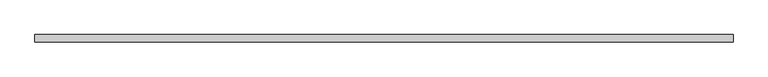
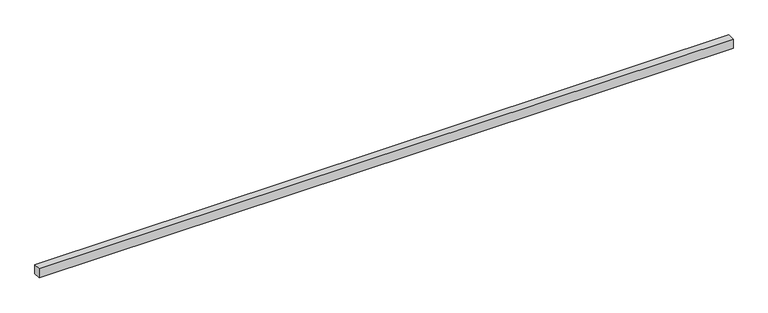
"""IFC4 building model written with IfcOpenShell, lengths in millimetres: proxy geometry."""

from ifc_helpers import new_model, si_unit, frame, origin, place, context, project, spatial, polyline, outline, extrude, source, transform, mapped, element, save


def generic_models_b6e3591a(model_context):
    return source(origin(), model_context, "Body", "SweptSolid", [
        extrude(outline(polyline([(40.0, 0.0), (-40.0, 0.0), (-40.0, 7400.0), (40.0, 7400.0), (40.0, 0.0)])), frame((7400.0, 0.0, 0.0), z_axis=(0.0, -1.9783474858313244e-12, 1.0), x_axis=(0.0, 1.0, 1.9783474858313244e-12)), (0.0, 0.0, 1.0), 100.0),
    ])


if __name__ == "__main__":
    model = new_model("IFC4")
    model_context = context("Model", 3, world=origin())
    ifc_project = project(units=[si_unit("LENGTHUNIT", "METRE", prefix="MILLI")], contexts=[model_context])
    site = spatial("IfcSite", under=ifc_project)
    building = spatial("IfcBuilding", under=site)
    placement = place(None, origin())
    generic_models_shape = generic_models_b6e3591a(model_context)
    element("IfcBuildingElementProxy", 1, Name="Generic Models", at=placement, inside=building, context=model_context, shape_type="MappedRepresentation", body=[
        mapped(generic_models_shape, transform((0.0, 0.0, 0.0), x_axis=(1.0, 0.0, 0.0), y_axis=(0.0, 1.0, 0.0), z_axis=(0.0, 0.0, 1.0))),
    ])
    save(model, "model.ifc")
